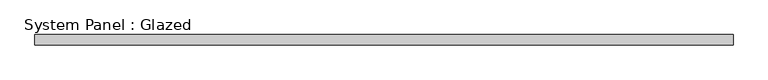
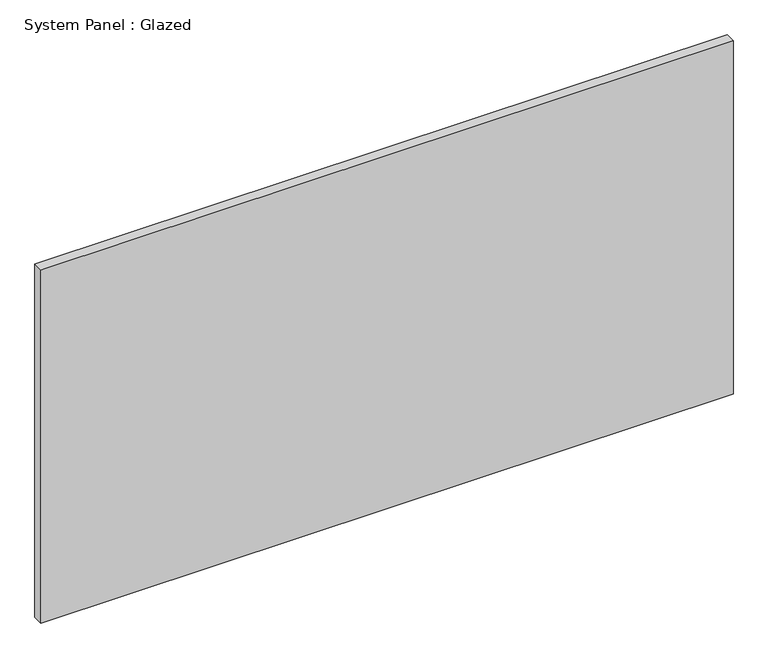
"""IFC4 building model written with IfcOpenShell, lengths in millimetres: plate geometry, System Panel : Glazed."""

from ifc_helpers import new_model, si_unit, origin, origin_with_axes, place, context, project, spatial, polyline, outline, extrude, source, transform, mapped, element, save


def system_panel_glazed_7ce250e5(model_context):
    return source(origin(), model_context, "Body", "SweptSolid", [
        extrude(outline(polyline([(846.8295473, 19.05), (-846.8295473, 19.05), (-846.8295473, 44.45), (846.8295473, 44.45), (846.8295473, 19.05)])), origin_with_axes(), (0.0, 0.0, 1.0), 914.4),
    ])


if __name__ == "__main__":
    model = new_model("IFC4")
    model_context = context("Model", 3, world=origin())
    ifc_project = project(units=[si_unit("LENGTHUNIT", "METRE", prefix="MILLI")], contexts=[model_context])
    site = spatial("IfcSite", under=ifc_project)
    building = spatial("IfcBuilding", under=site)
    placement = place(None, origin())
    system_panel_glazed_shape = system_panel_glazed_7ce250e5(model_context)
    element("IfcPlate", 1, ObjectType="System Panel : Glazed", at=placement, inside=building, context=model_context, shape_type="MappedRepresentation", body=[
        mapped(system_panel_glazed_shape, transform((0.0, 0.0, 0.0), x_axis=(1.0, 0.0, 0.0), y_axis=(0.0, 1.0, 0.0), z_axis=(0.0, 0.0, 1.0))),
    ])
    save(model, "model.ifc")
